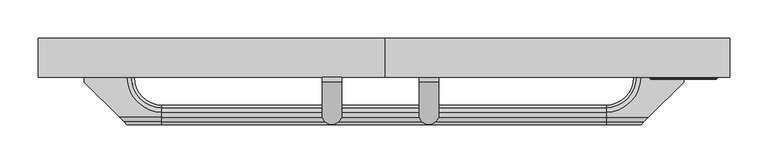
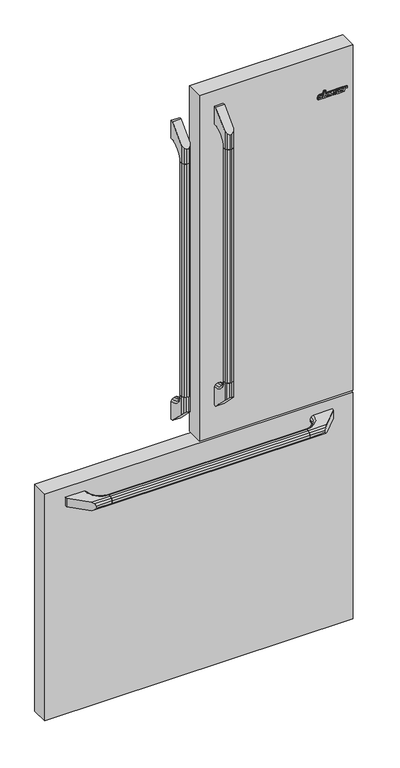
"""IFC4 building model written with IfcOpenShell, lengths in millimetres: proxy geometry."""

from ifc_helpers import new_model, si_unit, frame, origin, place, context, project, spatial, polyline, circle_curve, outline, extrude, source, transform, mapped, element, save
from ifc_brep_helpers import plane_surface, revolved_surface, spline_surface, advanced_brep


def specialty_equipment_29c050f8(model_context):
    return source(origin(), model_context, "Body", "SolidModel", [
        extrude(outline(polyline([(1675.2443445, 349.239516), (1674.0104593, 350.240891), (1673.621875, 351.6185989), (1673.621875, 364.1573685), (1673.8823242, 365.3107864), (1674.701991, 366.33537), (1675.6888426, 366.798546), (1682.3283203, 368.2096929), (1682.3283203, 370.4081497), (1684.0398438, 370.78022), (1685.7141602, 371.1150833), (1685.7141602, 368.8826614), (1689.9557617, 369.7756302), (1694.1973633, 370.6685989), (1694.1973633, 366.7099352), (1685.7141602, 364.9087738), (1685.7141602, 354.6494491), (1685.2544832, 352.6685218), (1683.9844845, 351.1013452), (1682.1429847, 350.242822), (1676.786123, 349.1023635), (1675.2443445, 349.239516)]), holes=[polyline([(1676.9705078, 354.2975052), (1677.3214606, 353.5955996), (1678.1239258, 353.4045364), (1681.0848595, 354.0412964), (1682.0178527, 354.4915474), (1682.3283203, 355.4366012), (1682.3283203, 364.1945755), (1678.0798936, 363.2965341), (1677.2223775, 362.7812864), (1676.9705078, 361.7710923), (1676.9705078, 354.2975052)])]), frame((0.0, -358.775, 0.0), z_axis=(0.0, 1.0, 0.0), x_axis=(0.0, 0.0, 1.0)), (0.0, 0.0, 1.0), 1.5875),
        extrude(outline(polyline([(1685.7141602, 372.4474851), (1682.3283203, 371.7275979), (1682.3283203, 382.4413078), (1681.2717624, 382.2163549), (1681.2717624, 371.5043688), (1680.9888672, 370.4081497), (1680.2447266, 369.515181), (1679.1657227, 368.9942825), (1677.9750977, 368.7338333), (1676.7844727, 368.4733841), (1675.2589844, 368.6222122), (1674.0683594, 369.589595), (1673.621875, 371.0778763), (1673.621875, 382.4260208), (1673.8823242, 383.5422318), (1674.6264648, 384.4724075), (1675.7054688, 384.993306), (1679.0913086, 385.7002396), (1682.5143555, 386.4443802), (1684.0770508, 386.2955521), (1685.2676758, 385.3281693), (1685.7141602, 383.877095), (1685.7141602, 372.4474851)]), holes=[polyline([(1678.0495117, 372.8266068), (1678.0495117, 381.5330521), (1676.9705078, 381.3098099), (1676.9705078, 372.6033646), (1678.0495117, 372.8266068)])]), frame((0.0, -358.775, 0.0), z_axis=(0.0, 1.0, 0.0), x_axis=(0.0, 0.0, 1.0)), (0.0, 0.0, 1.0), 1.5875),
        extrude(outline(polyline([(1673.6035047, 389.3744526), (1673.6035047, 400.3663727), (1673.8252401, 401.139656), (1674.5222362, 401.5337144), (1675.8170138, 401.808739), (1676.6876148, 401.5754622), (1676.9705078, 400.588897), (1676.9705078, 392.0974988), (1677.3449249, 391.3146367), (1678.1628043, 391.1165141), (1681.3277256, 391.7911513), (1682.0963817, 392.199853), (1682.3283203, 393.2910384), (1682.3283203, 402.2143865), (1682.580028, 402.9890631), (1683.2874357, 403.3974851), (1684.5829359, 403.6730901), (1685.4092122, 403.4204721), (1685.7141602, 402.5826343), (1685.7141602, 390.7603958), (1685.4537109, 389.6441849), (1684.7095703, 388.7140091), (1683.6305664, 388.1931107), (1680.2075195, 387.4861771), (1676.7844727, 386.7420364), (1675.2589844, 386.8908646), (1674.0311523, 387.8582474), (1673.6035047, 389.3744526)])), frame((0.0, -358.775, 0.0), z_axis=(0.0, 1.0, 0.0), x_axis=(0.0, 0.0, 1.0)), (0.0, 0.0, 1.0), 1.5875),
        extrude(outline(polyline([(1673.6035047, 406.1176166), (1673.6035047, 417.8931985), (1673.8702036, 419.0514369), (1674.6118825, 419.9683625), (1675.6888426, 420.4712873), (1682.5290652, 421.9241782), (1684.0708436, 421.7870015), (1685.2570237, 420.8243423), (1685.7141602, 419.3462711), (1685.7141602, 407.5035599), (1685.4537109, 406.3501419), (1684.7095703, 405.4199661), (1683.6305664, 404.9362747), (1680.2075195, 404.1921341), (1676.7844727, 403.4852005), (1675.2589844, 403.5968216), (1674.0311523, 404.6014114), (1673.6035047, 406.1176166)]), holes=[polyline([(1676.9705078, 415.7650467), (1676.9705078, 408.6941849), (1677.3425781, 407.9500443), (1678.1611328, 407.7268021), (1681.3588335, 408.4295934), (1682.0590587, 408.8019098), (1682.3283203, 409.6306117), (1682.3283203, 416.5064525), (1681.9970635, 417.4436293), (1681.1234773, 417.6643185), (1679.5005859, 417.3262161), (1677.9973546, 417.0063797), (1677.2501356, 416.6256526), (1676.9705078, 415.7650467)])]), frame((0.0, -358.775, 0.0), z_axis=(0.0, 1.0, 0.0), x_axis=(0.0, 0.0, 1.0)), (0.0, 0.0, 1.0), 1.5875),
        extrude(outline(polyline([(1684.7963695, 424.144116), (1673.621875, 421.768065), (1673.621875, 425.7888733), (1680.9695038, 427.3521415), (1681.9499429, 427.9515962), (1682.3283203, 429.0215724), (1682.3283203, 434.2674579), (1685.7141602, 434.9873693), (1685.7141602, 429.3103784), (1684.9979431, 428.2081212), (1685.7141602, 427.4919011), (1685.7141602, 425.3471956), (1685.4828275, 424.5404426), (1684.7963695, 424.144116)])), frame((0.0, -358.775, 0.0), z_axis=(0.0, 1.0, 0.0), x_axis=(0.0, 0.0, 1.0)), (0.0, 0.0, 1.0), 1.5875),
        advanced_brep(
        [(350.0186966, -357.1875, 1672.8405273), (350.8372513, -357.1875, 1672.6544922), (351.6295571, -357.1875, 1672.4478037), (425.1098463, -357.1875, 1672.4478037), (426.3675247, -357.1875, 1672.9149414), (427.0744583, -357.1875, 1674.0683594), (428.5627396, -357.1875, 1681.1749023), (433.883345, -357.1875, 1681.1749023), (434.9251419, -357.1875, 1681.5469727), (435.4832474, -357.1875, 1682.4771484), (436.0041458, -357.1875, 1684.8956055), (435.9297318, -357.1875, 1685.8629883), (435.3344193, -357.1875, 1686.5699219), (434.4042435, -357.1875, 1686.8675781), (370.3709427, -357.1875, 1686.8675781), (371.7476029, -357.1875, 1693.4160156), (371.6731888, -357.1875, 1694.3461914), (371.0778763, -357.1875, 1695.090332), (370.1477005, -357.1875, 1695.3507813), (367.0967239, -357.1875, 1695.3507813), (366.0549271, -357.1875, 1695.015918), (365.4968216, -357.1875, 1694.0857422), (363.9713333, -357.1875, 1686.8675781), (354.6323685, -357.1875, 1686.8675781), (352.7348099, -357.1875, 1686.5327148), (351.0977005, -357.1875, 1685.6025391), (349.8326614, -357.1875, 1684.1886719), (349.1257279, -357.1875, 1682.4027344), (347.9723099, -357.1875, 1677.0821289), (347.9723099, -357.1875, 1675.3706055), (348.7164505, -357.1875, 1673.8823242), (349.9814896, -355.6, 1672.7289063), (348.6048294, -355.6, 1673.8079102), (347.8606888, -355.6, 1675.3333984), (347.8606888, -355.6, 1677.0449219), (349.0141068, -355.6, 1682.4027344), (349.7210404, -355.6, 1684.2258789), (351.0232864, -355.6, 1685.7141602), (352.6976029, -355.6, 1686.6443359), (354.6323685, -355.6, 1686.9791992), (363.8597122, -355.6, 1686.9791992), (365.3852005, -355.6, 1694.0857422), (365.980513, -355.6, 1695.090332), (367.0967239, -355.6, 1695.4624023), (370.1477005, -355.6, 1695.4624023), (371.1522904, -355.6, 1695.1647461), (371.7848099, -355.6, 1694.3833984), (371.8592239, -355.6, 1693.3788086), (370.5197708, -355.6, 1686.9791992), (434.4042435, -355.6, 1686.9791992), (435.3716263, -355.6, 1686.681543), (436.0413529, -355.6, 1685.9001953), (436.1157669, -355.6, 1684.8956055), (435.5948685, -355.6, 1682.4399414), (434.999556, -355.6, 1681.4353516), (433.883345, -355.6, 1681.0632813), (428.6743607, -355.6, 1681.0632813), (427.1860794, -355.6, 1674.0311523), (426.4419388, -355.6, 1672.8033203), (425.0652786, -355.6, 1672.3196289), (351.693013, -355.6, 1672.3196289), (350.8372513, -355.6, 1672.5056641)],
        [
            (0, 1),
            (1, 2),
            (2, 3),
            (3, 4),
            (4, 5),
            (5, 6),
            (6, 7),
            (7, 8),
            (8, 9),
            (9, 10),
            (10, 11),
            (11, 12),
            (12, 13),
            (13, 14),
            (14, 15),
            (15, 16),
            (16, 17),
            (17, 18),
            (18, 19),
            (19, 20),
            (20, 21),
            (21, 22),
            (22, 23),
            (23, 24),
            (24, 25),
            (25, 26),
            (26, 27),
            (27, 28),
            (28, 29),
            (29, 30),
            (30, 0),
            (31, 32),
            (32, 33),
            (33, 34),
            (34, 35),
            (35, 36),
            (36, 37),
            (37, 38),
            (38, 39),
            (39, 40),
            (40, 41),
            (41, 42),
            (42, 43),
            (43, 44),
            (44, 45),
            (45, 46),
            (46, 47),
            (47, 48),
            (48, 49),
            (49, 50),
            (50, 51),
            (51, 52),
            (52, 53),
            (53, 54),
            (54, 55),
            (55, 56),
            (56, 57),
            (57, 58),
            (58, 59),
            (59, 60),
            (60, 61),
            (61, 31),
            (61, 1),
            (0, 31),
            (60, 2),
            (59, 3),
            (58, 4),
            (57, 5),
            (56, 6),
            (55, 7),
            (54, 8),
            (53, 9),
            (52, 10),
            (51, 11),
            (50, 12),
            (49, 13),
            (48, 14),
            (47, 15),
            (46, 16),
            (45, 17),
            (44, 18),
            (43, 19),
            (42, 20),
            (41, 21),
            (40, 22),
            (39, 23),
            (38, 24),
            (37, 25),
            (36, 26),
            (35, 27),
            (34, 28),
            (33, 29),
            (32, 30),
        ],
        [
            plane_surface(frame((384.6866388, -357.1875, 1683.7504568), z_axis=(0.0, -1.0000000000000002, 0.0), x_axis=(0.9374252720097682, 0.0, 0.3481865296036195))),
            plane_surface(frame((384.6932493, -355.6, 1683.7517893), z_axis=(0.0, 1.0000000000000002, 0.0), x_axis=(0.9374252720097682, 0.0, 0.3481865296036195))),
            spline_surface(1, 1, [[(349.9814896, -355.6, 1672.7289063), (350.0186966, -357.1875, 1672.8405273)], [(350.8372513, -355.6, 1672.5056641), (350.8372513, -357.1875, 1672.6544922)]], [2, 2], [2, 2], [0.0, 1.0], [0.0, 1.0]),
            spline_surface(1, 1, [[(350.8372513, -355.6, 1672.5056641), (350.8372513, -357.1875, 1672.6544922)], [(351.693013, -355.6, 1672.3196289), (351.6295571, -357.1875, 1672.4478037)]], [2, 2], [2, 2], [0.0, 1.0], [0.0, 1.0]),
            plane_surface(frame((388.3791458, -355.6, 1672.3196289), z_axis=(0.0, -0.0804781421694772, -0.9967563737608852), x_axis=(1.0, 0.0, 0.0))),
            spline_surface(1, 1, [[(425.0652786, -355.6, 1672.3196289), (425.1098463, -357.1875, 1672.4478037)], [(426.4419388, -355.6, 1672.8033203), (426.3675247, -357.1875, 1672.9149414)]], [2, 2], [2, 2], [0.0, 1.0], [0.0, 1.0]),
            spline_surface(1, 1, [[(426.4419388, -355.6, 1672.8033203), (426.3675247, -357.1875, 1672.9149414)], [(427.1860794, -355.6, 1674.0311523), (427.0744583, -357.1875, 1674.0683594)]], [2, 2], [2, 2], [0.0, 1.0], [0.0, 1.0]),
            spline_surface(1, 1, [[(427.1860794, -355.6, 1674.0311523), (427.0744583, -357.1875, 1674.0683594)], [(428.6743607, -355.6, 1681.0632813), (428.5627396, -357.1875, 1681.1749023)]], [2, 2], [2, 2], [0.0, 1.0], [0.0, 1.0]),
            plane_surface(frame((431.2788529, -355.6, 1681.0632813), z_axis=(0.0, -0.07013933466798893, -0.9975372041845517), x_axis=(1.0, 0.0, 0.0))),
            spline_surface(1, 1, [[(433.883345, -355.6, 1681.0632813), (433.883345, -357.1875, 1681.1749023)], [(434.999556, -355.6, 1681.4353516), (434.9251419, -357.1875, 1681.5469727)]], [2, 2], [2, 2], [0.0, 1.0], [0.0, 1.0]),
            spline_surface(1, 1, [[(434.999556, -355.6, 1681.4353516), (434.9251419, -357.1875, 1681.5469727)], [(435.5948685, -355.6, 1682.4399414), (435.4832474, -357.1875, 1682.4771484)]], [2, 2], [2, 2], [0.0, 1.0], [0.0, 1.0]),
            spline_surface(1, 1, [[(435.5948685, -355.6, 1682.4399414), (435.4832474, -357.1875, 1682.4771484)], [(436.1157669, -355.6, 1684.8956055), (436.0041458, -357.1875, 1684.8956055)]], [2, 2], [2, 2], [0.0, 1.0], [0.0, 1.0]),
            spline_surface(1, 1, [[(436.1157669, -355.6, 1684.8956055), (436.0041458, -357.1875, 1684.8956055)], [(436.0413529, -355.6, 1685.9001953), (435.9297318, -357.1875, 1685.8629883)]], [2, 2], [2, 2], [0.0, 1.0], [0.0, 1.0]),
            spline_surface(1, 1, [[(436.0413529, -355.6, 1685.9001953), (435.9297318, -357.1875, 1685.8629883)], [(435.3716263, -355.6, 1686.681543), (435.3344193, -357.1875, 1686.5699219)]], [2, 2], [2, 2], [0.0, 1.0], [0.0, 1.0]),
            spline_surface(1, 1, [[(435.3716263, -355.6, 1686.681543), (435.3344193, -357.1875, 1686.5699219)], [(434.4042435, -355.6, 1686.9791992), (434.4042435, -357.1875, 1686.8675781)]], [2, 2], [2, 2], [0.0, 1.0], [0.0, 1.0]),
            plane_surface(frame((402.4620072, -355.6, 1686.9791992), z_axis=(0.0, -0.07013933466798894, 0.9975372041845517), x_axis=(-1.0, 0.0, 0.0))),
            spline_surface(1, 1, [[(370.5197708, -355.6, 1686.9791992), (370.3709427, -357.1875, 1686.8675781)], [(371.8592239, -355.6, 1693.3788086), (371.7476029, -357.1875, 1693.4160156)]], [2, 2], [2, 2], [0.0, 1.0], [0.0, 1.0]),
            spline_surface(1, 1, [[(371.8592239, -355.6, 1693.3788086), (371.7476029, -357.1875, 1693.4160156)], [(371.7848099, -355.6, 1694.3833984), (371.6731888, -357.1875, 1694.3461914)]], [2, 2], [2, 2], [0.0, 1.0], [0.0, 1.0]),
            spline_surface(1, 1, [[(371.7848099, -355.6, 1694.3833984), (371.6731888, -357.1875, 1694.3461914)], [(371.1522904, -355.6, 1695.1647461), (371.0778763, -357.1875, 1695.090332)]], [2, 2], [2, 2], [0.0, 1.0], [0.0, 1.0]),
            spline_surface(1, 1, [[(371.1522904, -355.6, 1695.1647461), (371.0778763, -357.1875, 1695.090332)], [(370.1477005, -355.6, 1695.4624023), (370.1477005, -357.1875, 1695.3507813)]], [2, 2], [2, 2], [0.0, 1.0], [0.0, 1.0]),
            plane_surface(frame((368.6222122, -355.6, 1695.4624023), z_axis=(0.0, -0.07013933466798893, 0.9975372041845517), x_axis=(-1.0, 0.0, 0.0))),
            spline_surface(1, 1, [[(367.0967239, -355.6, 1695.4624023), (367.0967239, -357.1875, 1695.3507813)], [(365.980513, -355.6, 1695.090332), (366.0549271, -357.1875, 1695.015918)]], [2, 2], [2, 2], [0.0, 1.0], [0.0, 1.0]),
            spline_surface(1, 1, [[(365.980513, -355.6, 1695.090332), (366.0549271, -357.1875, 1695.015918)], [(365.3852005, -355.6, 1694.0857422), (365.4968216, -357.1875, 1694.0857422)]], [2, 2], [2, 2], [0.0, 1.0], [0.0, 1.0]),
            spline_surface(1, 1, [[(365.3852005, -355.6, 1694.0857422), (365.4968216, -357.1875, 1694.0857422)], [(363.8597122, -355.6, 1686.9791992), (363.9713333, -357.1875, 1686.8675781)]], [2, 2], [2, 2], [0.0, 1.0], [0.0, 1.0]),
            plane_surface(frame((359.2460404, -355.6, 1686.9791992), z_axis=(0.0, -0.07013933466798893, 0.9975372041845517), x_axis=(-1.0, 0.0, 0.0))),
            spline_surface(1, 1, [[(354.6323685, -355.6, 1686.9791992), (354.6323685, -357.1875, 1686.8675781)], [(352.6976029, -355.6, 1686.6443359), (352.7348099, -357.1875, 1686.5327148)]], [2, 2], [2, 2], [0.0, 1.0], [0.0, 1.0]),
            spline_surface(1, 1, [[(352.6976029, -355.6, 1686.6443359), (352.7348099, -357.1875, 1686.5327148)], [(351.0232864, -355.6, 1685.7141602), (351.0977005, -357.1875, 1685.6025391)]], [2, 2], [2, 2], [0.0, 1.0], [0.0, 1.0]),
            spline_surface(1, 1, [[(351.0232864, -355.6, 1685.7141602), (351.0977005, -357.1875, 1685.6025391)], [(349.7210404, -355.6, 1684.2258789), (349.8326614, -357.1875, 1684.1886719)]], [2, 2], [2, 2], [0.0, 1.0], [0.0, 1.0]),
            spline_surface(1, 1, [[(349.7210404, -355.6, 1684.2258789), (349.8326614, -357.1875, 1684.1886719)], [(349.0141068, -355.6, 1682.4027344), (349.1257279, -357.1875, 1682.4027344)]], [2, 2], [2, 2], [0.0, 1.0], [0.0, 1.0]),
            spline_surface(1, 1, [[(349.0141068, -355.6, 1682.4027344), (349.1257279, -357.1875, 1682.4027344)], [(347.8606888, -355.6, 1677.0449219), (347.9723099, -357.1875, 1677.0821289)]], [2, 2], [2, 2], [0.0, 1.0], [0.0, 1.0]),
            plane_surface(frame((347.8606888, -355.6, 1676.1891602), z_axis=(-0.9975372041845519, -0.0701393346679857, 0.0), x_axis=(0.0, 0.0, -1.0))),
            spline_surface(1, 1, [[(347.8606888, -355.6, 1675.3333984), (347.9723099, -357.1875, 1675.3706055)], [(348.6048294, -355.6, 1673.8079102), (348.7164505, -357.1875, 1673.8823242)]], [2, 2], [2, 2], [0.0, 1.0], [0.0, 1.0]),
            spline_surface(1, 1, [[(348.6048294, -355.6, 1673.8079102), (348.7164505, -357.1875, 1673.8823242)], [(349.9814896, -355.6, 1672.7289063), (350.0186966, -357.1875, 1672.8405273)]], [2, 2], [2, 2], [0.0, 1.0], [0.0, 1.0]),
        ],
        [
            (0, [[1, 2, 3, 4, 5, 6, 7, 8, 9, 10, 11, 12, 13, 14, 15, 16, 17, 18, 19, 20, 21, 22, 23, 24, 25, 26, 27, 28, 29, 30, 31]]),
            (1, [[32, 33, 34, 35, 36, 37, 38, 39, 40, 41, 42, 43, 44, 45, 46, 47, 48, 49, 50, 51, 52, 53, 54, 55, 56, 57, 58, 59, 60, 61, 62]]),
            (2, [[-62, 63, -1, 64]]),
            (3, [[-61, 65, -2, -63]]),
            (4, [[-60, 66, -3, -65]]),
            (5, [[-59, 67, -4, -66]]),
            (6, [[-58, 68, -5, -67]]),
            (7, [[-57, 69, -6, -68]]),
            (8, [[-56, 70, -7, -69]]),
            (9, [[-55, 71, -8, -70]]),
            (10, [[-54, 72, -9, -71]]),
            (11, [[-53, 73, -10, -72]]),
            (12, [[-52, 74, -11, -73]]),
            (13, [[-51, 75, -12, -74]]),
            (14, [[-50, 76, -13, -75]]),
            (15, [[-49, 77, -14, -76]]),
            (16, [[-48, 78, -15, -77]]),
            (17, [[-47, 79, -16, -78]]),
            (18, [[-46, 80, -17, -79]]),
            (19, [[-45, 81, -18, -80]]),
            (20, [[-44, 82, -19, -81]]),
            (21, [[-43, 83, -20, -82]]),
            (22, [[-42, 84, -21, -83]]),
            (23, [[-41, 85, -22, -84]]),
            (24, [[-40, 86, -23, -85]]),
            (25, [[-39, 87, -24, -86]]),
            (26, [[-38, 88, -25, -87]]),
            (27, [[-37, 89, -26, -88]]),
            (28, [[-36, 90, -27, -89]]),
            (29, [[-35, 91, -28, -90]]),
            (30, [[-34, 92, -29, -91]]),
            (31, [[-33, 93, -30, -92]]),
            (32, [[-32, -64, -31, -93]]),
        ],
    ),
        extrude(outline(polyline([(-414.1095453, 676.5029547), (-417.5125, 682.3970453), (-417.5125, 689.2029547), (-414.1095453, 695.0970453), (-408.2154547, 698.5), (-401.4095453, 698.5), (-395.5154547, 695.0970453), (-392.1125, 689.2029547), (-392.1125, 682.3970453), (-395.5154547, 676.5029547), (-401.4095453, 673.1), (-408.2154547, 673.1), (-414.1095453, 676.5029547)])), frame((-290.5125, 0.0, 0.0), z_axis=(1.0, 0.0, 0.0), x_axis=(0.0, 1.0, 0.0)), (0.0, 0.0, 1.0), 581.025),
        advanced_brep(
        [(-392.1125, -355.6, 698.5), (-392.1125, -355.6, 673.1), (-392.1125, -361.95, 673.1), (-392.1125, -361.95, 698.5), (-290.5125, -408.2154547, 698.5), (-290.5125, -414.1095453, 695.0970453), (-290.5125, -417.5125, 689.2029547), (-290.5125, -417.5125, 682.3970453), (-290.5125, -414.1095453, 676.5029547), (-290.5125, -408.2154547, 673.1), (-290.5125, -401.4095453, 673.1), (-290.5125, -395.5154547, 676.5029547), (-290.5125, -392.1125, 682.3970453), (-290.5125, -392.1125, 689.2029547), (-290.5125, -395.5154547, 695.0970453), (-290.5125, -401.4095453, 698.5), (-336.3220453, -355.6, 698.5), (-330.4279547, -355.6, 695.0970453), (-327.025, -355.6, 689.2029547), (-327.025, -355.6, 682.3970453), (-330.4279547, -355.6, 676.5029547), (-336.3220453, -355.6, 673.1), (-345.8470453, -408.2154547, 673.1), (-339.9529547, -414.1095453, 676.5029547), (-336.55, -417.5125, 682.3970453), (-336.55, -417.5125, 689.2029547), (-339.9529547, -414.1095453, 695.0970453), (-345.8470453, -408.2154547, 698.5)],
        [
            (0, 1),
            (1, 2),
            (2, 3),
            (3, 0),
            (4, 5),
            (5, 6),
            (6, 7),
            (7, 8),
            (8, 9),
            (9, 10),
            (10, 11),
            (11, 12),
            (12, 13),
            (13, 14),
            (14, 15),
            (15, 4),
            (0, 16),
            (16, 17),
            (17, 18),
            (18, 19),
            (19, 20),
            (20, 21),
            (21, 1),
            (21, 10, circle_curve(frame((-290.5125, -355.6, 673.1), z_axis=(0.0, 0.0, 1.0), x_axis=(-1.0, 0.0, 0.0)), 45.8095453)),
            (9, 22),
            (22, 2),
            (8, 23),
            (23, 22),
            (7, 24),
            (24, 23),
            (6, 25),
            (25, 24),
            (5, 26),
            (26, 25),
            (4, 27),
            (27, 26),
            (3, 27),
            (15, 16, circle_curve(frame((-290.5125, -355.6, 698.5), z_axis=(0.0, 0.0, -1.0), x_axis=(-1.0, 0.0, 0.0)), 45.8095453)),
            (20, 11, circle_curve(frame((-290.5125, -355.6, 676.5029547), z_axis=(0.0, 0.0, 1.0), x_axis=(-1.0, 0.0, 0.0)), 39.9154547)),
            (19, 12, circle_curve(frame((-290.5125, -355.6, 682.3970453), z_axis=(0.0, 0.0, 1.0), x_axis=(-1.0, 0.0, 0.0)), 36.5125)),
            (18, 13, circle_curve(frame((-290.5125, -355.6, 689.2029547), z_axis=(0.0, 0.0, 1.0), x_axis=(-1.0, 0.0, 0.0)), 36.5125)),
            (17, 14, circle_curve(frame((-290.5125, -355.6, 695.0970453), z_axis=(0.0, 0.0, 1.0), x_axis=(-1.0, 0.0, 0.0)), 39.9154547)),
        ],
        [
            plane_surface(frame((-392.1125, -355.6, 673.5615446), z_axis=(-1.0, 0.0, 0.0), x_axis=(0.0, 0.0, -1.0))),
            plane_surface(frame((-290.5125, -355.6, 673.5615446), z_axis=(1.0, 0.0, 0.0), x_axis=(0.0, 0.0, 1.0))),
            plane_surface(frame((-392.1125, -355.6, 698.5), z_axis=(0.0, 1.0, 0.0), x_axis=(1.0, 0.0, 0.0))),
            plane_surface(frame((-392.1125, -355.6, 673.1), z_axis=(0.0, 0.0, -1.0), x_axis=(1.0, 0.0, 0.0))),
            plane_surface(frame((-392.1125, -408.2154547, 673.1), z_axis=(0.0, -0.5000000000000026, -0.8660254037844372), x_axis=(1.0, 0.0, 0.0))),
            plane_surface(frame((-392.1125, -414.1095453, 676.5029547), z_axis=(0.0, -0.8660254037844393, -0.49999999999999895), x_axis=(1.0, 0.0, 0.0))),
            plane_surface(frame((-392.1125, -417.5125, 682.3970453), z_axis=(0.0, -1.0, 0.0), x_axis=(1.0, 0.0, 0.0))),
            plane_surface(frame((-392.1125, -417.5125, 689.2029547), z_axis=(0.0, -0.8660254037844349, 0.5000000000000066), x_axis=(1.0, 0.0, 0.0))),
            plane_surface(frame((-392.1125, -414.1095453, 695.0970453), z_axis=(0.0, -0.49999999999999434, 0.8660254037844419), x_axis=(1.0, 0.0, 0.0))),
            plane_surface(frame((-392.1125, -408.2154547, 698.5), z_axis=(0.0, 0.0, 1.0), x_axis=(1.0, 0.0, 0.0))),
            plane_surface(frame((-336.55, -417.5125, 698.5), z_axis=(-0.7071067811865382, -0.7071067811865569, 0.0), x_axis=(0.0, 0.0, -1.0))),
            revolved_surface(polyline([(-336.3220453, -355.6, 673.1), (-330.4279547, -355.6, 676.5029547)]), (-290.5125, -355.6, 698.5), (0.0, 0.0, -1.0)),
            revolved_surface(polyline([(-330.4279547, -355.6, 676.5029547), (-327.025, -355.6, 682.3970453)]), (-290.5125, -355.6, 698.5), (0.0, 0.0, -1.0)),
            revolved_surface(polyline([(-327.025, -355.6, 682.3970453), (-327.025, -355.6, 689.2029547)]), (-290.5125, -355.6, 698.5), (0.0, 0.0, -1.0)),
            revolved_surface(polyline([(-327.025, -355.6, 689.2029547), (-330.4279547, -355.6, 695.0970453)]), (-290.5125, -355.6, 698.5), (0.0, 0.0, -1.0)),
            revolved_surface(polyline([(-330.4279547, -355.6, 695.0970453), (-336.3220453, -355.6, 698.5)]), (-290.5125, -355.6, 698.5), (0.0, 0.0, -1.0)),
        ],
        [
            (0, [[1, 2, 3, 4]]),
            (1, [[5, 6, 7, 8, 9, 10, 11, 12, 13, 14, 15, 16]]),
            (2, [[-1, 17, 18, 19, 20, 21, 22, 23]]),
            (3, [[-2, -23, 24, -10, 25, 26]]),
            (4, [[-9, 27, 28, -25]]),
            (5, [[-8, 29, 30, -27]]),
            (6, [[-7, 31, 32, -29]]),
            (7, [[-6, 33, 34, -31]]),
            (8, [[-5, 35, 36, -33]]),
            (9, [[-4, 37, -35, -16, 38, -17]]),
            (10, [[-3, -26, -28, -30, -32, -34, -36, -37]]),
            (11, [[39, -11, -24, -22]]),
            (12, [[-39, -21, 40, -12]]),
            (13, [[-40, -20, 41, -13]]),
            (14, [[-41, -19, 42, -14]]),
            (15, [[-42, -18, -38, -15]]),
        ],
    ),
        advanced_brep(
        [(392.1125, -355.6, 673.1), (392.1125, -355.6, 698.5), (392.1125, -361.95, 698.5), (392.1125, -361.95, 673.1), (290.5125, -408.2154547, 673.1), (290.5125, -414.1095453, 676.5029547), (290.5125, -417.5125, 682.3970453), (290.5125, -417.5125, 689.2029547), (290.5125, -414.1095453, 695.0970453), (290.5125, -408.2154547, 698.5), (290.5125, -401.4095453, 698.5), (290.5125, -395.5154547, 695.0970453), (290.5125, -392.1125, 689.2029547), (290.5125, -392.1125, 682.3970453), (290.5125, -395.5154547, 676.5029547), (290.5125, -401.4095453, 673.1), (336.3220453, -355.6, 698.5), (345.8470453, -408.2154547, 698.5), (339.9529547, -414.1095453, 695.0970453), (336.55, -417.5125, 689.2029547), (336.55, -417.5125, 682.3970453), (339.9529547, -414.1095453, 676.5029547), (345.8470453, -408.2154547, 673.1), (336.3220453, -355.6, 673.1), (330.4279547, -355.6, 676.5029547), (327.025, -355.6, 682.3970453), (327.025, -355.6, 689.2029547), (330.4279547, -355.6, 695.0970453)],
        [
            (0, 1),
            (1, 2),
            (2, 3),
            (3, 0),
            (4, 5),
            (5, 6),
            (6, 7),
            (7, 8),
            (8, 9),
            (9, 10),
            (10, 11),
            (11, 12),
            (12, 13),
            (13, 14),
            (14, 15),
            (15, 4),
            (1, 16),
            (16, 10, circle_curve(frame((290.5125, -355.6, 698.5), z_axis=(0.0, 0.0, -1.0), x_axis=(1.0, 0.0, 0.0)), 45.8095453)),
            (9, 17),
            (17, 2),
            (8, 18),
            (18, 17),
            (7, 19),
            (19, 18),
            (6, 20),
            (20, 19),
            (5, 21),
            (21, 20),
            (4, 22),
            (22, 21),
            (3, 22),
            (15, 23, circle_curve(frame((290.5125, -355.6, 673.1), z_axis=(0.0, 0.0, 1.0), x_axis=(1.0, 0.0, 0.0)), 45.8095453)),
            (23, 0),
            (23, 24),
            (24, 25),
            (25, 26),
            (26, 27),
            (27, 16),
            (27, 11, circle_curve(frame((290.5125, -355.6, 695.0970453), z_axis=(0.0, 0.0, -1.0), x_axis=(1.0, 0.0, 0.0)), 39.9154547)),
            (26, 12, circle_curve(frame((290.5125, -355.6, 689.2029547), z_axis=(0.0, 0.0, -1.0), x_axis=(1.0, 0.0, 0.0)), 36.5125)),
            (25, 13, circle_curve(frame((290.5125, -355.6, 682.3970453), z_axis=(0.0, 0.0, -1.0), x_axis=(1.0, 0.0, 0.0)), 36.5125)),
            (24, 14, circle_curve(frame((290.5125, -355.6, 676.5029547), z_axis=(0.0, 0.0, -1.0), x_axis=(1.0, 0.0, 0.0)), 39.9154547)),
        ],
        [
            plane_surface(frame((392.1125, -355.6, 698.5), z_axis=(1.0, 0.0, 0.0), x_axis=(0.0, -1.0, 0.0))),
            plane_surface(frame((290.5125, -355.6, 698.5), z_axis=(-1.0, 0.0, 0.0), x_axis=(0.0, 1.0, 0.0))),
            plane_surface(frame((392.1125, -355.6, 698.5), z_axis=(0.0, 0.0, 1.0), x_axis=(-1.0, 0.0, 0.0))),
            plane_surface(frame((392.1125, -408.2154547, 698.5), z_axis=(0.0, -0.49999999999999345, 0.8660254037844425), x_axis=(-1.0, 0.0, 0.0))),
            plane_surface(frame((392.1125, -414.1095453, 695.0970453), z_axis=(0.0, -0.8660254037844326, 0.5000000000000104), x_axis=(-1.0, 0.0, 0.0))),
            plane_surface(frame((392.1125, -417.5125, 689.2029547), z_axis=(0.0, -1.0, 0.0), x_axis=(-1.0, 0.0, 0.0))),
            plane_surface(frame((392.1125, -417.5125, 682.3970453), z_axis=(0.0, -0.8660254037844393, -0.49999999999999883), x_axis=(-1.0, 0.0, 0.0))),
            plane_surface(frame((392.1125, -414.1095453, 676.5029547), z_axis=(0.0, -0.5000000000000041, -0.8660254037844363), x_axis=(-1.0, 0.0, 0.0))),
            plane_surface(frame((392.1125, -408.2154547, 673.1), z_axis=(0.0, 0.0, -1.0), x_axis=(-1.0, 0.0, 0.0))),
            plane_surface(frame((392.1125, -355.6, 673.1), z_axis=(0.0, 1.0, 0.0), x_axis=(-1.0, 0.0, 0.0))),
            plane_surface(frame((392.1125, -361.95, 698.5), z_axis=(0.7071067811865459, -0.7071067811865491, 0.0), x_axis=(0.0, 0.0, -1.0))),
            revolved_surface(polyline([(336.3220453, -355.6, 698.5), (330.4279547, -355.6, 695.0970453)]), (290.5125, -355.6, 698.5), (0.0, 0.0, 1.0)),
            revolved_surface(polyline([(330.4279547, -355.6, 695.0970453), (327.025, -355.6, 689.2029547)]), (290.5125, -355.6, 698.5), (0.0, 0.0, 1.0)),
            revolved_surface(polyline([(327.025, -355.6, 689.2029547), (327.025, -355.6, 682.3970453)]), (290.5125, -355.6, 698.5), (0.0, 0.0, 1.0)),
            revolved_surface(polyline([(327.025, -355.6, 682.3970453), (330.4279547, -355.6, 676.5029547)]), (290.5125, -355.6, 698.5), (0.0, 0.0, 1.0)),
            revolved_surface(polyline([(330.4279547, -355.6, 676.5029547), (336.3220453, -355.6, 673.1)]), (290.5125, -355.6, 698.5), (0.0, 0.0, 1.0)),
        ],
        [
            (0, [[1, 2, 3, 4]]),
            (1, [[5, 6, 7, 8, 9, 10, 11, 12, 13, 14, 15, 16]]),
            (2, [[-2, 17, 18, -10, 19, 20]]),
            (3, [[-9, 21, 22, -19]]),
            (4, [[-8, 23, 24, -21]]),
            (5, [[-7, 25, 26, -23]]),
            (6, [[-6, 27, 28, -25]]),
            (7, [[-5, 29, 30, -27]]),
            (8, [[-4, 31, -29, -16, 32, 33]]),
            (9, [[-1, -33, 34, 35, 36, 37, 38, -17]]),
            (10, [[-3, -20, -22, -24, -26, -28, -30, -31]]),
            (11, [[39, -11, -18, -38]]),
            (12, [[-39, -37, 40, -12]]),
            (13, [[-40, -36, 41, -13]]),
            (14, [[-41, -35, 42, -14]]),
            (15, [[-42, -34, -32, -15]]),
        ],
    ),
        extrude(outline(polyline([(68.0345453, -414.1095453), (62.1404547, -417.5125), (55.3345453, -417.5125), (49.4404547, -414.1095453), (46.0375, -408.2154547), (46.0375, -401.4095453), (49.4404547, -395.5154547), (55.3345453, -392.1125), (62.1404547, -392.1125), (68.0345453, -395.5154547), (71.4375, -401.4095453), (71.4375, -408.2154547), (68.0345453, -414.1095453)])), frame((0.0, 0.0, 933.45), z_axis=(0.0, 0.0, 1.0), x_axis=(1.0, 0.0, 0.0)), (0.0, 0.0, 1.0), 723.9),
        advanced_brep(
        [(46.0375, -355.6, 831.85), (71.4375, -355.6, 831.85), (71.4375, -361.95, 831.85), (46.0375, -361.95, 831.85), (46.0375, -408.2154547, 933.45), (49.4404547, -414.1095453, 933.45), (55.3345453, -417.5125, 933.45), (62.1404547, -417.5125, 933.45), (68.0345453, -414.1095453, 933.45), (71.4375, -408.2154547, 933.45), (71.4375, -401.4095453, 933.45), (68.0345453, -395.5154547, 933.45), (62.1404547, -392.1125, 933.45), (55.3345453, -392.1125, 933.45), (49.4404547, -395.5154547, 933.45), (46.0375, -401.4095453, 933.45), (46.0375, -355.6, 887.6404547), (49.4404547, -355.6, 893.5345453), (55.3345453, -355.6, 896.9375), (62.1404547, -355.6, 896.9375), (68.0345453, -355.6, 893.5345453), (71.4375, -355.6, 887.6404547), (71.4375, -408.2154547, 878.1154547), (68.0345453, -414.1095453, 884.0095453), (62.1404547, -417.5125, 887.4125), (55.3345453, -417.5125, 887.4125), (49.4404547, -414.1095453, 884.0095453), (46.0375, -408.2154547, 878.1154547)],
        [
            (0, 1),
            (1, 2),
            (2, 3),
            (3, 0),
            (4, 5),
            (5, 6),
            (6, 7),
            (7, 8),
            (8, 9),
            (9, 10),
            (10, 11),
            (11, 12),
            (12, 13),
            (13, 14),
            (14, 15),
            (15, 4),
            (0, 16),
            (16, 17),
            (17, 18),
            (18, 19),
            (19, 20),
            (20, 21),
            (21, 1),
            (21, 10, circle_curve(frame((71.4375, -355.6, 933.45), z_axis=(-1.0, 0.0, 0.0), x_axis=(0.0, 0.0, -1.0)), 45.8095453)),
            (9, 22),
            (22, 2),
            (8, 23),
            (23, 22),
            (7, 24),
            (24, 23),
            (6, 25),
            (25, 24),
            (5, 26),
            (26, 25),
            (4, 27),
            (27, 26),
            (3, 27),
            (15, 16, circle_curve(frame((46.0375, -355.6, 933.45), z_axis=(1.0, 0.0, 0.0), x_axis=(0.0, 0.0, -1.0)), 45.8095453)),
            (20, 11, circle_curve(frame((68.0345453, -355.6, 933.45), z_axis=(-1.0, 0.0, 0.0), x_axis=(0.0, 0.0, -1.0)), 39.9154547)),
            (19, 12, circle_curve(frame((62.1404547, -355.6, 933.45), z_axis=(-1.0, 0.0, 0.0), x_axis=(0.0, 0.0, -1.0)), 36.5125)),
            (18, 13, circle_curve(frame((55.3345453, -355.6, 933.45), z_axis=(-1.0, 0.0, 0.0), x_axis=(0.0, 0.0, -1.0)), 36.5125)),
            (17, 14, circle_curve(frame((49.4404547, -355.6, 933.45), z_axis=(-1.0, 0.0, 0.0), x_axis=(0.0, 0.0, -1.0)), 39.9154547)),
        ],
        [
            plane_surface(frame((70.9759554, -355.6, 831.85), z_axis=(0.0, 0.0, -1.0), x_axis=(1.0, 0.0, 0.0))),
            plane_surface(frame((70.9759554, -355.6, 933.45), z_axis=(0.0, 0.0, 1.0), x_axis=(-1.0, 0.0, 0.0))),
            plane_surface(frame((46.0375, -355.6, 831.85), z_axis=(0.0, 1.0, 0.0), x_axis=(0.0, 0.0, 1.0))),
            plane_surface(frame((71.4375, -355.6, 831.85), z_axis=(1.0, 0.0, 0.0), x_axis=(0.0, 0.0, 1.0))),
            plane_surface(frame((71.4375, -408.2154547, 831.85), z_axis=(0.8660254037844356, -0.5000000000000054, 0.0), x_axis=(0.0, 0.0, 1.0))),
            plane_surface(frame((68.0345453, -414.1095453, 831.85), z_axis=(0.49999999999999617, -0.8660254037844409, 0.0), x_axis=(0.0, 0.0, 1.0))),
            plane_surface(frame((62.1404547, -417.5125, 831.85), z_axis=(0.0, -1.0, 0.0), x_axis=(0.0, 0.0, 1.0))),
            plane_surface(frame((55.3345453, -417.5125, 831.85), z_axis=(-0.5000000000000093, -0.8660254037844333, 0.0), x_axis=(0.0, 0.0, 1.0))),
            plane_surface(frame((49.4404547, -414.1095453, 831.85), z_axis=(-0.8660254037844436, -0.49999999999999156, 0.0), x_axis=(0.0, 0.0, 1.0))),
            plane_surface(frame((46.0375, -408.2154547, 831.85), z_axis=(-1.0, 0.0, 0.0), x_axis=(0.0, 0.0, 1.0))),
            plane_surface(frame((46.0375, -417.5125, 887.4125), z_axis=(0.0, -0.7071067811865593, -0.7071067811865358), x_axis=(1.0, 0.0, 0.0))),
            revolved_surface(polyline([(71.4375, -355.6, 887.6404547), (68.0345453, -355.6, 893.5345453)]), (46.0375, -355.6, 933.45), (1.0, 0.0, 0.0)),
            revolved_surface(polyline([(68.0345453, -355.6, 893.5345453), (62.1404547, -355.6, 896.9375)]), (46.0375, -355.6, 933.45), (1.0, 0.0, 0.0)),
            revolved_surface(polyline([(62.1404547, -355.6, 896.9375), (55.3345453, -355.6, 896.9375)]), (46.0375, -355.6, 933.45), (1.0, 0.0, 0.0)),
            revolved_surface(polyline([(55.3345453, -355.6, 896.9375), (49.4404547, -355.6, 893.5345453)]), (46.0375, -355.6, 933.45), (1.0, 0.0, 0.0)),
            revolved_surface(polyline([(49.4404547, -355.6, 893.5345453), (46.0375, -355.6, 887.6404547)]), (46.0375, -355.6, 933.45), (1.0, 0.0, 0.0)),
        ],
        [
            (0, [[1, 2, 3, 4]]),
            (1, [[5, 6, 7, 8, 9, 10, 11, 12, 13, 14, 15, 16]]),
            (2, [[-1, 17, 18, 19, 20, 21, 22, 23]]),
            (3, [[-2, -23, 24, -10, 25, 26]]),
            (4, [[-9, 27, 28, -25]]),
            (5, [[-8, 29, 30, -27]]),
            (6, [[-7, 31, 32, -29]]),
            (7, [[-6, 33, 34, -31]]),
            (8, [[-5, 35, 36, -33]]),
            (9, [[-4, 37, -35, -16, 38, -17]]),
            (10, [[-3, -26, -28, -30, -32, -34, -36, -37]]),
            (11, [[39, -11, -24, -22]]),
            (12, [[-39, -21, 40, -12]]),
            (13, [[-40, -20, 41, -13]]),
            (14, [[-41, -19, 42, -14]]),
            (15, [[-42, -18, -38, -15]]),
        ],
    ),
        advanced_brep(
        [(71.4375, -355.6, 1758.95), (46.0375, -355.6, 1758.95), (46.0375, -361.95, 1758.95), (71.4375, -361.95, 1758.95), (71.4375, -408.2154547, 1657.35), (68.0345453, -414.1095453, 1657.35), (62.1404547, -417.5125, 1657.35), (55.3345453, -417.5125, 1657.35), (49.4404547, -414.1095453, 1657.35), (46.0375, -408.2154547, 1657.35), (46.0375, -401.4095453, 1657.35), (49.4404547, -395.5154547, 1657.35), (55.3345453, -392.1125, 1657.35), (62.1404547, -392.1125, 1657.35), (68.0345453, -395.5154547, 1657.35), (71.4375, -401.4095453, 1657.35), (46.0375, -355.6, 1703.1595453), (46.0375, -408.2154547, 1712.6845453), (49.4404547, -414.1095453, 1706.7904547), (55.3345453, -417.5125, 1703.3875), (62.1404547, -417.5125, 1703.3875), (68.0345453, -414.1095453, 1706.7904547), (71.4375, -408.2154547, 1712.6845453), (71.4375, -355.6, 1703.1595453), (68.0345453, -355.6, 1697.2654547), (62.1404547, -355.6, 1693.8625), (55.3345453, -355.6, 1693.8625), (49.4404547, -355.6, 1697.2654547)],
        [
            (0, 1),
            (1, 2),
            (2, 3),
            (3, 0),
            (4, 5),
            (5, 6),
            (6, 7),
            (7, 8),
            (8, 9),
            (9, 10),
            (10, 11),
            (11, 12),
            (12, 13),
            (13, 14),
            (14, 15),
            (15, 4),
            (1, 16),
            (16, 10, circle_curve(frame((46.0375, -355.6, 1657.35), z_axis=(1.0, 0.0, 0.0), x_axis=(0.0, 0.0, 1.0)), 45.8095453)),
            (9, 17),
            (17, 2),
            (8, 18),
            (18, 17),
            (7, 19),
            (19, 18),
            (6, 20),
            (20, 19),
            (5, 21),
            (21, 20),
            (4, 22),
            (22, 21),
            (3, 22),
            (15, 23, circle_curve(frame((71.4375, -355.6, 1657.35), z_axis=(-1.0, 0.0, 0.0), x_axis=(0.0, 0.0, 1.0)), 45.8095453)),
            (23, 0),
            (23, 24),
            (24, 25),
            (25, 26),
            (26, 27),
            (27, 16),
            (27, 11, circle_curve(frame((49.4404547, -355.6, 1657.35), z_axis=(1.0, 0.0, 0.0), x_axis=(0.0, 0.0, 1.0)), 39.9154547)),
            (26, 12, circle_curve(frame((55.3345453, -355.6, 1657.35), z_axis=(1.0, 0.0, 0.0), x_axis=(0.0, 0.0, 1.0)), 36.5125)),
            (25, 13, circle_curve(frame((62.1404547, -355.6, 1657.35), z_axis=(1.0, 0.0, 0.0), x_axis=(0.0, 0.0, 1.0)), 36.5125)),
            (24, 14, circle_curve(frame((68.0345453, -355.6, 1657.35), z_axis=(1.0, 0.0, 0.0), x_axis=(0.0, 0.0, 1.0)), 39.9154547)),
        ],
        [
            plane_surface(frame((46.0375, -355.6, 1758.95), z_axis=(0.0, 0.0, 1.0), x_axis=(0.0, -1.0, 0.0))),
            plane_surface(frame((46.0375, -355.6, 1657.35), z_axis=(0.0, 0.0, -1.0), x_axis=(0.0, 1.0, 0.0))),
            plane_surface(frame((46.0375, -355.6, 1758.95), z_axis=(-1.0, 0.0, 0.0), x_axis=(0.0, 0.0, -1.0))),
            plane_surface(frame((46.0375, -408.2154547, 1758.95), z_axis=(-0.8660254037844439, -0.49999999999999095, 0.0), x_axis=(0.0, 0.0, -1.0))),
            plane_surface(frame((49.4404547, -414.1095453, 1758.95), z_axis=(-0.5000000000000133, -0.866025403784431, 0.0), x_axis=(0.0, 0.0, -1.0))),
            plane_surface(frame((55.3345453, -417.5125, 1758.95), z_axis=(0.0, -1.0, 0.0), x_axis=(0.0, 0.0, -1.0))),
            plane_surface(frame((62.1404547, -417.5125, 1758.95), z_axis=(0.49999999999999606, -0.8660254037844409, 0.0), x_axis=(0.0, 0.0, -1.0))),
            plane_surface(frame((68.0345453, -414.1095453, 1758.95), z_axis=(0.8660254037844347, -0.5000000000000069, 0.0), x_axis=(0.0, 0.0, -1.0))),
            plane_surface(frame((71.4375, -408.2154547, 1758.95), z_axis=(1.0, 0.0, 0.0), x_axis=(0.0, 0.0, -1.0))),
            plane_surface(frame((71.4375, -355.6, 1758.95), z_axis=(0.0, 1.0, 0.0), x_axis=(0.0, 0.0, -1.0))),
            plane_surface(frame((46.0375, -361.95, 1758.95), z_axis=(0.0, -0.7071067811865468, 0.7071067811865482), x_axis=(1.0, 0.0, 0.0))),
            revolved_surface(polyline([(46.0375, -355.6, 1703.1595453), (49.4404547, -355.6, 1697.2654547)]), (46.0375, -355.6, 1657.35), (-1.0, 0.0, 0.0)),
            revolved_surface(polyline([(49.4404547, -355.6, 1697.2654547), (55.3345453, -355.6, 1693.8625)]), (46.0375, -355.6, 1657.35), (-1.0, 0.0, 0.0)),
            revolved_surface(polyline([(55.3345453, -355.6, 1693.8625), (62.1404547, -355.6, 1693.8625)]), (46.0375, -355.6, 1657.35), (-1.0, 0.0, 0.0)),
            revolved_surface(polyline([(62.1404547, -355.6, 1693.8625), (68.0345453, -355.6, 1697.2654547)]), (46.0375, -355.6, 1657.35), (-1.0, 0.0, 0.0)),
            revolved_surface(polyline([(68.0345453, -355.6, 1697.2654547), (71.4375, -355.6, 1703.1595453)]), (46.0375, -355.6, 1657.35), (-1.0, 0.0, 0.0)),
        ],
        [
            (0, [[1, 2, 3, 4]]),
            (1, [[5, 6, 7, 8, 9, 10, 11, 12, 13, 14, 15, 16]]),
            (2, [[-2, 17, 18, -10, 19, 20]]),
            (3, [[-9, 21, 22, -19]]),
            (4, [[-8, 23, 24, -21]]),
            (5, [[-7, 25, 26, -23]]),
            (6, [[-6, 27, 28, -25]]),
            (7, [[-5, 29, 30, -27]]),
            (8, [[-4, 31, -29, -16, 32, 33]]),
            (9, [[-1, -33, 34, 35, 36, 37, 38, -17]]),
            (10, [[-3, -20, -22, -24, -26, -28, -30, -31]]),
            (11, [[39, -11, -18, -38]]),
            (12, [[-39, -37, 40, -12]]),
            (13, [[-40, -36, 41, -13]]),
            (14, [[-41, -35, 42, -14]]),
            (15, [[-42, -34, -32, -15]]),
        ],
    ),
        extrude(outline(polyline([(-58.9654547, -414.1095453), (-64.8595453, -417.5125), (-71.6654547, -417.5125), (-77.5595453, -414.1095453), (-80.9625, -408.2154547), (-80.9625, -401.4095453), (-77.5595453, -395.5154547), (-71.6654547, -392.1125), (-64.8595453, -392.1125), (-58.9654547, -395.5154547), (-55.5625, -401.4095453), (-55.5625, -408.2154547), (-58.9654547, -414.1095453)])), frame((0.0, 0.0, 933.45), z_axis=(0.0, 0.0, 1.0), x_axis=(1.0, 0.0, 0.0)), (0.0, 0.0, 1.0), 723.9),
        advanced_brep(
        [(-80.9625, -355.6, 831.85), (-55.5625, -355.6, 831.85), (-55.5625, -361.95, 831.85), (-80.9625, -361.95, 831.85), (-80.9625, -408.2154547, 933.45), (-77.5595453, -414.1095453, 933.45), (-71.6654547, -417.5125, 933.45), (-64.8595453, -417.5125, 933.45), (-58.9654547, -414.1095453, 933.45), (-55.5625, -408.2154547, 933.45), (-55.5625, -401.4095453, 933.45), (-58.9654547, -395.5154547, 933.45), (-64.8595453, -392.1125, 933.45), (-71.6654547, -392.1125, 933.45), (-77.5595453, -395.5154547, 933.45), (-80.9625, -401.4095453, 933.45), (-80.9625, -355.6, 887.6404547), (-77.5595453, -355.6, 893.5345453), (-71.6654547, -355.6, 896.9375), (-64.8595453, -355.6, 896.9375), (-58.9654547, -355.6, 893.5345453), (-55.5625, -355.6, 887.6404547), (-55.5625, -408.2154547, 878.1154547), (-58.9654547, -414.1095453, 884.0095453), (-64.8595453, -417.5125, 887.4125), (-71.6654547, -417.5125, 887.4125), (-77.5595453, -414.1095453, 884.0095453), (-80.9625, -408.2154547, 878.1154547)],
        [
            (0, 1),
            (1, 2),
            (2, 3),
            (3, 0),
            (4, 5),
            (5, 6),
            (6, 7),
            (7, 8),
            (8, 9),
            (9, 10),
            (10, 11),
            (11, 12),
            (12, 13),
            (13, 14),
            (14, 15),
            (15, 4),
            (0, 16),
            (16, 17),
            (17, 18),
            (18, 19),
            (19, 20),
            (20, 21),
            (21, 1),
            (21, 10, circle_curve(frame((-55.5625, -355.6, 933.45), z_axis=(-1.0, 0.0, 0.0), x_axis=(0.0, 0.0, -1.0)), 45.8095453)),
            (9, 22),
            (22, 2),
            (8, 23),
            (23, 22),
            (7, 24),
            (24, 23),
            (6, 25),
            (25, 24),
            (5, 26),
            (26, 25),
            (4, 27),
            (27, 26),
            (3, 27),
            (15, 16, circle_curve(frame((-80.9625, -355.6, 933.45), z_axis=(1.0, 0.0, 0.0), x_axis=(0.0, 0.0, -1.0)), 45.8095453)),
            (20, 11, circle_curve(frame((-58.9654547, -355.6, 933.45), z_axis=(-1.0, 0.0, 0.0), x_axis=(0.0, 0.0, -1.0)), 39.9154547)),
            (19, 12, circle_curve(frame((-64.8595453, -355.6, 933.45), z_axis=(-1.0, 0.0, 0.0), x_axis=(0.0, 0.0, -1.0)), 36.5125)),
            (18, 13, circle_curve(frame((-71.6654547, -355.6, 933.45), z_axis=(-1.0, 0.0, 0.0), x_axis=(0.0, 0.0, -1.0)), 36.5125)),
            (17, 14, circle_curve(frame((-77.5595453, -355.6, 933.45), z_axis=(-1.0, 0.0, 0.0), x_axis=(0.0, 0.0, -1.0)), 39.9154547)),
        ],
        [
            plane_surface(frame((-56.0240446, -355.6, 831.85), z_axis=(0.0, 0.0, -1.0), x_axis=(1.0, 0.0, 0.0))),
            plane_surface(frame((-56.0240446, -355.6, 933.45), z_axis=(0.0, 0.0, 1.0), x_axis=(-1.0, 0.0, 0.0))),
            plane_surface(frame((-80.9625, -355.6, 831.85), z_axis=(0.0, 1.0, 0.0), x_axis=(0.0, 0.0, 1.0))),
            plane_surface(frame((-55.5625, -355.6, 831.85), z_axis=(1.0, 0.0, 0.0), x_axis=(0.0, 0.0, 1.0))),
            plane_surface(frame((-55.5625, -408.2154547, 831.85), z_axis=(0.8660254037844356, -0.5000000000000054, 0.0), x_axis=(0.0, 0.0, 1.0))),
            plane_surface(frame((-58.9654547, -414.1095453, 831.85), z_axis=(0.49999999999999617, -0.8660254037844409, 0.0), x_axis=(0.0, 0.0, 1.0))),
            plane_surface(frame((-64.8595453, -417.5125, 831.85), z_axis=(0.0, -1.0, 0.0), x_axis=(0.0, 0.0, 1.0))),
            plane_surface(frame((-71.6654547, -417.5125, 831.85), z_axis=(-0.5000000000000093, -0.8660254037844333, 0.0), x_axis=(0.0, 0.0, 1.0))),
            plane_surface(frame((-77.5595453, -414.1095453, 831.85), z_axis=(-0.8660254037844436, -0.49999999999999156, 0.0), x_axis=(0.0, 0.0, 1.0))),
            plane_surface(frame((-80.9625, -408.2154547, 831.85), z_axis=(-1.0, 0.0, 0.0), x_axis=(0.0, 0.0, 1.0))),
            plane_surface(frame((-80.9625, -417.5125, 887.4125), z_axis=(0.0, -0.7071067811865593, -0.7071067811865358), x_axis=(1.0, 0.0, 0.0))),
            revolved_surface(polyline([(-55.5625, -355.6, 887.6404547), (-58.9654547, -355.6, 893.5345453)]), (-80.9625, -355.6, 933.45), (1.0, 0.0, 0.0)),
            revolved_surface(polyline([(-58.9654547, -355.6, 893.5345453), (-64.8595453, -355.6, 896.9375)]), (-80.9625, -355.6, 933.45), (1.0, 0.0, 0.0)),
            revolved_surface(polyline([(-64.8595453, -355.6, 896.9375), (-71.6654547, -355.6, 896.9375)]), (-80.9625, -355.6, 933.45), (1.0, 0.0, 0.0)),
            revolved_surface(polyline([(-71.6654547, -355.6, 896.9375), (-77.5595453, -355.6, 893.5345453)]), (-80.9625, -355.6, 933.45), (1.0, 0.0, 0.0)),
            revolved_surface(polyline([(-77.5595453, -355.6, 893.5345453), (-80.9625, -355.6, 887.6404547)]), (-80.9625, -355.6, 933.45), (1.0, 0.0, 0.0)),
        ],
        [
            (0, [[1, 2, 3, 4]]),
            (1, [[5, 6, 7, 8, 9, 10, 11, 12, 13, 14, 15, 16]]),
            (2, [[-1, 17, 18, 19, 20, 21, 22, 23]]),
            (3, [[-2, -23, 24, -10, 25, 26]]),
            (4, [[-9, 27, 28, -25]]),
            (5, [[-8, 29, 30, -27]]),
            (6, [[-7, 31, 32, -29]]),
            (7, [[-6, 33, 34, -31]]),
            (8, [[-5, 35, 36, -33]]),
            (9, [[-4, 37, -35, -16, 38, -17]]),
            (10, [[-3, -26, -28, -30, -32, -34, -36, -37]]),
            (11, [[39, -11, -24, -22]]),
            (12, [[-39, -21, 40, -12]]),
            (13, [[-40, -20, 41, -13]]),
            (14, [[-41, -19, 42, -14]]),
            (15, [[-42, -18, -38, -15]]),
        ],
    ),
        advanced_brep(
        [(-55.5625, -355.6, 1758.95), (-80.9625, -355.6, 1758.95), (-80.9625, -361.95, 1758.95), (-55.5625, -361.95, 1758.95), (-55.5625, -408.2154547, 1657.35), (-58.9654547, -414.1095453, 1657.35), (-64.8595453, -417.5125, 1657.35), (-71.6654547, -417.5125, 1657.35), (-77.5595453, -414.1095453, 1657.35), (-80.9625, -408.2154547, 1657.35), (-80.9625, -401.4095453, 1657.35), (-77.5595453, -395.5154547, 1657.35), (-71.6654547, -392.1125, 1657.35), (-64.8595453, -392.1125, 1657.35), (-58.9654547, -395.5154547, 1657.35), (-55.5625, -401.4095453, 1657.35), (-80.9625, -355.6, 1703.1595453), (-80.9625, -408.2154547, 1712.6845453), (-77.5595453, -414.1095453, 1706.7904547), (-71.6654547, -417.5125, 1703.3875), (-64.8595453, -417.5125, 1703.3875), (-58.9654547, -414.1095453, 1706.7904547), (-55.5625, -408.2154547, 1712.6845453), (-55.5625, -355.6, 1703.1595453), (-58.9654547, -355.6, 1697.2654547), (-64.8595453, -355.6, 1693.8625), (-71.6654547, -355.6, 1693.8625), (-77.5595453, -355.6, 1697.2654547)],
        [
            (0, 1),
            (1, 2),
            (2, 3),
            (3, 0),
            (4, 5),
            (5, 6),
            (6, 7),
            (7, 8),
            (8, 9),
            (9, 10),
            (10, 11),
            (11, 12),
            (12, 13),
            (13, 14),
            (14, 15),
            (15, 4),
            (1, 16),
            (16, 10, circle_curve(frame((-80.9625, -355.6, 1657.35), z_axis=(1.0, 0.0, 0.0), x_axis=(0.0, 0.0, 1.0)), 45.8095453)),
            (9, 17),
            (17, 2),
            (8, 18),
            (18, 17),
            (7, 19),
            (19, 18),
            (6, 20),
            (20, 19),
            (5, 21),
            (21, 20),
            (4, 22),
            (22, 21),
            (3, 22),
            (15, 23, circle_curve(frame((-55.5625, -355.6, 1657.35), z_axis=(-1.0, 0.0, 0.0), x_axis=(0.0, 0.0, 1.0)), 45.8095453)),
            (23, 0),
            (23, 24),
            (24, 25),
            (25, 26),
            (26, 27),
            (27, 16),
            (27, 11, circle_curve(frame((-77.5595453, -355.6, 1657.35), z_axis=(1.0, 0.0, 0.0), x_axis=(0.0, 0.0, 1.0)), 39.9154547)),
            (26, 12, circle_curve(frame((-71.6654547, -355.6, 1657.35), z_axis=(1.0, 0.0, 0.0), x_axis=(0.0, 0.0, 1.0)), 36.5125)),
            (25, 13, circle_curve(frame((-64.8595453, -355.6, 1657.35), z_axis=(1.0, 0.0, 0.0), x_axis=(0.0, 0.0, 1.0)), 36.5125)),
            (24, 14, circle_curve(frame((-58.9654547, -355.6, 1657.35), z_axis=(1.0, 0.0, 0.0), x_axis=(0.0, 0.0, 1.0)), 39.9154547)),
        ],
        [
            plane_surface(frame((-80.9625, -355.6, 1758.95), z_axis=(0.0, 0.0, 1.0), x_axis=(0.0, -1.0, 0.0))),
            plane_surface(frame((-80.9625, -355.6, 1657.35), z_axis=(0.0, 0.0, -1.0), x_axis=(0.0, 1.0, 0.0))),
            plane_surface(frame((-80.9625, -355.6, 1758.95), z_axis=(-1.0, 0.0, 0.0), x_axis=(0.0, 0.0, -1.0))),
            plane_surface(frame((-80.9625, -408.2154547, 1758.95), z_axis=(-0.8660254037844439, -0.49999999999999095, 0.0), x_axis=(0.0, 0.0, -1.0))),
            plane_surface(frame((-77.5595453, -414.1095453, 1758.95), z_axis=(-0.5000000000000133, -0.866025403784431, 0.0), x_axis=(0.0, 0.0, -1.0))),
            plane_surface(frame((-71.6654547, -417.5125, 1758.95), z_axis=(0.0, -1.0, 0.0), x_axis=(0.0, 0.0, -1.0))),
            plane_surface(frame((-64.8595453, -417.5125, 1758.95), z_axis=(0.49999999999999606, -0.8660254037844409, 0.0), x_axis=(0.0, 0.0, -1.0))),
            plane_surface(frame((-58.9654547, -414.1095453, 1758.95), z_axis=(0.8660254037844347, -0.5000000000000069, 0.0), x_axis=(0.0, 0.0, -1.0))),
            plane_surface(frame((-55.5625, -408.2154547, 1758.95), z_axis=(1.0, 0.0, 0.0), x_axis=(0.0, 0.0, -1.0))),
            plane_surface(frame((-55.5625, -355.6, 1758.95), z_axis=(0.0, 1.0, 0.0), x_axis=(0.0, 0.0, -1.0))),
            plane_surface(frame((-80.9625, -361.95, 1758.95), z_axis=(0.0, -0.7071067811865468, 0.7071067811865482), x_axis=(1.0, 0.0, 0.0))),
            revolved_surface(polyline([(-80.9625, -355.6, 1703.1595453), (-77.5595453, -355.6, 1697.2654547)]), (-80.9625, -355.6, 1657.35), (-1.0, 0.0, 0.0)),
            revolved_surface(polyline([(-77.5595453, -355.6, 1697.2654547), (-71.6654547, -355.6, 1693.8625)]), (-80.9625, -355.6, 1657.35), (-1.0, 0.0, 0.0)),
            revolved_surface(polyline([(-71.6654547, -355.6, 1693.8625), (-64.8595453, -355.6, 1693.8625)]), (-80.9625, -355.6, 1657.35), (-1.0, 0.0, 0.0)),
            revolved_surface(polyline([(-64.8595453, -355.6, 1693.8625), (-58.9654547, -355.6, 1697.2654547)]), (-80.9625, -355.6, 1657.35), (-1.0, 0.0, 0.0)),
            revolved_surface(polyline([(-58.9654547, -355.6, 1697.2654547), (-55.5625, -355.6, 1703.1595453)]), (-80.9625, -355.6, 1657.35), (-1.0, 0.0, 0.0)),
        ],
        [
            (0, [[1, 2, 3, 4]]),
            (1, [[5, 6, 7, 8, 9, 10, 11, 12, 13, 14, 15, 16]]),
            (2, [[-2, 17, 18, -10, 19, 20]]),
            (3, [[-9, 21, 22, -19]]),
            (4, [[-8, 23, 24, -21]]),
            (5, [[-7, 25, 26, -23]]),
            (6, [[-6, 27, 28, -25]]),
            (7, [[-5, 29, 30, -27]]),
            (8, [[-4, 31, -29, -16, 32, 33]]),
            (9, [[-1, -33, 34, 35, 36, 37, 38, -17]]),
            (10, [[-3, -20, -22, -24, -26, -28, -30, -31]]),
            (11, [[39, -11, -18, -38]]),
            (12, [[-39, -37, 40, -12]]),
            (13, [[-40, -36, 41, -13]]),
            (14, [[-41, -35, 42, -14]]),
            (15, [[-42, -34, -32, -15]]),
        ],
    ),
        extrude(outline(polyline([(452.4375, -355.6), (-452.4375, -355.6), (-452.4375, -304.8), (452.4375, -304.8), (452.4375, -355.6)])), frame((0.0, 0.0, 25.4), z_axis=(0.0, 0.0, 1.0), x_axis=(1.0, 0.0, 0.0)), (0.0, 0.0, 1.0), 703.2625),
        extrude(outline(polyline([(452.4375, -355.6), (1.5525522, -355.6), (1.5525522, -304.8), (452.4375, -304.8), (452.4375, -355.6)])), frame((0.0, 0.0, 735.0125), z_axis=(0.0, 0.0, 1.0), x_axis=(1.0, 0.0, 0.0)), (0.0, 0.0, 1.0), 1071.5625),
    ])


if __name__ == "__main__":
    model = new_model("IFC4")
    model_context = context("Model", 3, world=origin())
    ifc_project = project(units=[si_unit("LENGTHUNIT", "METRE", prefix="MILLI")], contexts=[model_context])
    site = spatial("IfcSite", under=ifc_project)
    building = spatial("IfcBuilding", under=site)
    placement = place(None, origin())
    specialty_equipment_shape = specialty_equipment_29c050f8(model_context)
    element("IfcBuildingElementProxy", 1, Name="Specialty Equipment", at=placement, inside=building, context=model_context, shape_type="MappedRepresentation", body=[
        mapped(specialty_equipment_shape, transform((0.0, 0.0, 0.0), x_axis=(1.0, 0.0, 0.0), y_axis=(0.0, 1.0, 0.0), z_axis=(0.0, 0.0, 1.0))),
    ])
    save(model, "model.ifc")
